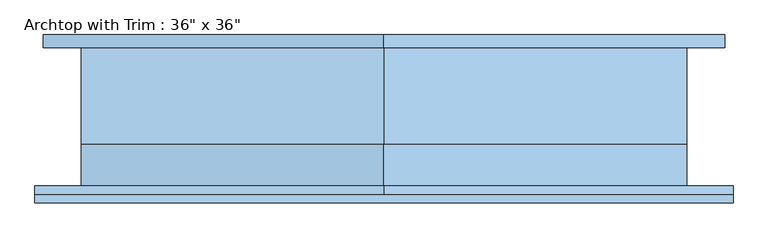
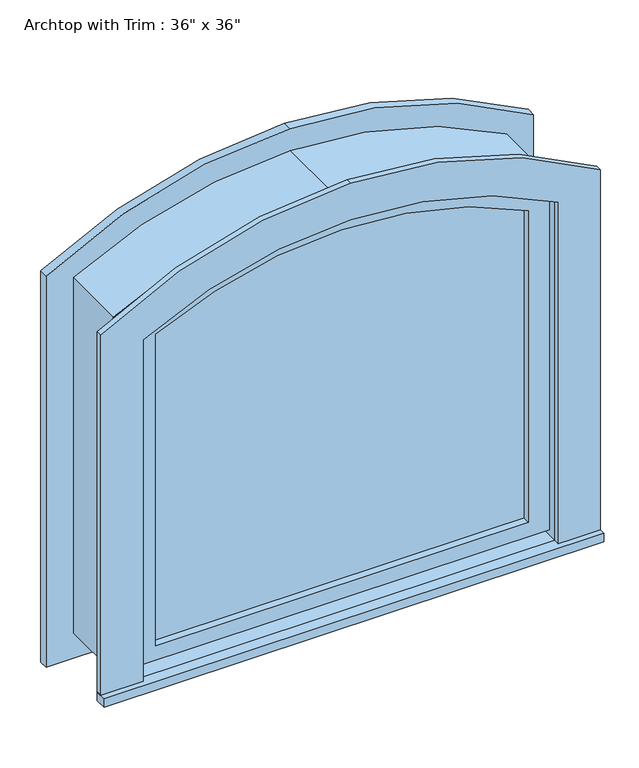
"""IFC4 building model written with IfcOpenShell, lengths in millimetres: window geometry."""

from ifc_helpers import new_model, si_unit, point, frame, frame_2d, origin, place, context, project, spatial, polyline, circle_curve, trimmed, segment, composite_curve, outline, extrude, source, transform, mapped, element, save


def window_baca96f3(model_context):
    return source(origin(), model_context, "Body", "SweptSolid", [
        extrude(outline(composite_curve([segment(polyline([(641.35, 450.130298), (1390.4176484, 450.130298)]), True, "CONTINUOUS"), segment(trimmed(circle_curve(frame_2d((609.6, 11.980298)), 895.35), [point((1390.4176484, 450.130298))], [point((1504.95, 11.980298))], False, "CARTESIAN"), True, "CONTINUOUS"), segment(trimmed(circle_curve(frame_2d((609.6, 11.980298)), 895.35), [point((1504.95, 11.980298))], [point((1390.4176484, -426.1697019))], False, "CARTESIAN"), True, "CONTINUOUS"), segment(polyline([(1390.4176484, -426.1697019), (641.35, -426.1697019), (641.35, 450.130298)]), True, "CONTINUOUS")], self_intersect=False), holes=[composite_curve([segment(polyline([(673.1, 405.680298), (673.1, -381.719702), (1367.5211144, -381.719702)]), True, "CONTINUOUS"), segment(trimmed(circle_curve(frame_2d((609.6, 11.980298)), 854.075), [point((1367.5211144, -381.719702))], [point((1463.675, 11.980298))], True, "CARTESIAN"), True, "CONTINUOUS"), segment(trimmed(circle_curve(frame_2d((609.6, 11.980298)), 854.075), [point((1463.675, 11.980298))], [point((1367.5211144, 405.680298))], True, "CARTESIAN"), True, "CONTINUOUS"), segment(polyline([(1367.5211144, 405.680298), (673.1, 405.680298)]), True, "CONTINUOUS")], self_intersect=False)]), frame((0.0, -85.725, 0.0), z_axis=(0.0, 1.0, 0.0), x_axis=(0.0, 0.0, 1.0)), (0.0, 0.0, 1.0), 44.45),
        extrude(outline(polyline([(-515.0697019, -130.175), (-515.0697019, -104.775), (539.030298, -104.775), (539.030298, -130.175), (-515.0697019, -130.175)])), frame((0.0, 0.0, 609.6), z_axis=(0.0, 0.0, 1.0), x_axis=(1.0, 0.0, 0.0)), (0.0, 0.0, 1.0), 19.05),
        extrude(outline(composite_curve([segment(polyline([(628.65, 450.1302979), (628.65, 539.030298), (1431.5462001, 539.030298)]), True, "CONTINUOUS"), segment(trimmed(circle_curve(frame_2d((609.6, 11.980298)), 976.4103944), [point((1431.5462001, 539.030298))], [point((1586.0103944, 11.980298))], False, "CARTESIAN"), True, "CONTINUOUS"), segment(trimmed(circle_curve(frame_2d((609.6, 11.980298)), 976.4103944), [point((1586.0103944, 11.980298))], [point((1431.5462002, -515.0697019))], False, "CARTESIAN"), True, "CONTINUOUS"), segment(polyline([(1431.5462002, -515.0697019), (628.65, -515.0697019), (628.65, -426.1697019), (1390.4176484, -426.1697019)]), True, "CONTINUOUS"), segment(trimmed(circle_curve(frame_2d((609.6, 11.980298)), 895.35), [point((1390.4176484, -426.1697019))], [point((1504.95, 11.980298))], True, "CARTESIAN"), True, "CONTINUOUS"), segment(trimmed(circle_curve(frame_2d((609.6, 11.980298)), 895.35), [point((1504.95, 11.980298))], [point((1390.4176484, 450.1302979))], True, "CARTESIAN"), True, "CONTINUOUS"), segment(polyline([(1390.4176484, 450.1302979), (628.65, 450.1302979)]), True, "CONTINUOUS")], self_intersect=False)), frame((0.0, -117.475, 0.0), z_axis=(0.0, 1.0, 0.0), x_axis=(0.0, 0.0, 1.0)), (0.0, 0.0, 1.0), 12.7),
        extrude(outline(composite_curve([segment(polyline([(552.45, -502.369702), (552.45, 526.3302979), (1424.3785921, 526.3302979)]), True, "CONTINUOUS"), segment(trimmed(circle_curve(frame_2d((609.6, 11.980298)), 963.5455758), [point((1424.3785921, 526.3302979))], [point((1573.1455758, 11.980298))], False, "CARTESIAN"), True, "CONTINUOUS"), segment(trimmed(circle_curve(frame_2d((609.6, 11.980298)), 963.5455758), [point((1573.1455758, 11.980298))], [point((1424.3785921, -502.369702))], False, "CARTESIAN"), True, "CONTINUOUS"), segment(polyline([(1424.3785921, -502.369702), (552.45, -502.369702)]), True, "CONTINUOUS")], self_intersect=False), holes=[composite_curve([segment(polyline([(641.35, -413.4697027), (1382.9455369, -413.4697027)]), True, "CONTINUOUS"), segment(trimmed(circle_curve(frame_2d((609.6, 11.980298)), 882.65), [point((1382.9455369, -413.4697027))], [point((1492.25, 11.980298))], True, "CARTESIAN"), True, "CONTINUOUS"), segment(trimmed(circle_curve(frame_2d((609.6000002, 11.980298)), 882.6499998), [point((1492.25, 11.980298))], [point((1382.9455369, 437.4302987))], True, "CARTESIAN"), True, "CONTINUOUS"), segment(polyline([(1382.9455369, 437.4302987), (641.35, 437.4302987), (641.35, -413.4697027)]), True, "CONTINUOUS")], self_intersect=False)]), frame((0.0, 104.775, 0.0), z_axis=(0.0, 1.0, 0.0), x_axis=(0.0, 0.0, 1.0)), (0.0, 0.0, 1.0), 19.05),
        extrude(outline(composite_curve([segment(polyline([(673.1, -381.7197017), (673.1, 405.6802981), (1367.8186461, 405.6802981)]), True, "CONTINUOUS"), segment(trimmed(circle_curve(frame_2d((609.6, 11.9802983)), 854.3390458), [point((1367.8186461, 405.6802981))], [point((1463.9390458, 11.9802983))], False, "CARTESIAN"), True, "CONTINUOUS"), segment(trimmed(circle_curve(frame_2d((609.6, 11.9802983)), 854.3390458), [point((1463.9390458, 11.9802983))], [point((1367.818646, -381.7197017))], False, "CARTESIAN"), True, "CONTINUOUS"), segment(polyline([(1367.818646, -381.7197017), (673.1, -381.7197017)]), True, "CONTINUOUS")], self_intersect=False)), frame((0.0, -69.85, 0.0), z_axis=(0.0, 1.0, 0.0), x_axis=(0.0, 0.0, 1.0)), (0.0, 0.0, 1.0), 12.7),
        extrude(outline(composite_curve([segment(polyline([(609.6, 469.180298), (1401.4936292, 469.180298)]), True, "CONTINUOUS"), segment(trimmed(circle_curve(frame_2d((609.6, 11.980298)), 914.4), [point((1401.4936292, 469.180298))], [point((1524.0, 11.980298))], False, "CARTESIAN"), True, "CONTINUOUS"), segment(trimmed(circle_curve(frame_2d((609.6, 11.980298)), 914.4), [point((1524.0, 11.980298))], [point((1401.4936292, -445.219702))], False, "CARTESIAN"), True, "CONTINUOUS"), segment(polyline([(1401.4936292, -445.219702), (609.6, -445.219702), (609.6, 469.180298)]), True, "CONTINUOUS")], self_intersect=False), holes=[composite_curve([segment(polyline([(641.35, 437.4302987), (641.35, -413.469702), (1386.4470493, -413.469702)]), True, "CONTINUOUS"), segment(trimmed(circle_curve(frame_2d((609.6, 11.980298)), 885.7195044), [point((1386.4470493, -413.469702))], [point((1495.3195044, 11.980298))], True, "CARTESIAN"), True, "CONTINUOUS"), segment(trimmed(circle_curve(frame_2d((609.6, 11.980298)), 885.7195044), [point((1495.3195044, 11.980298))], [point((1386.4470489, 437.4302987))], True, "CARTESIAN"), True, "CONTINUOUS"), segment(polyline([(1386.4470489, 437.4302987), (641.35, 437.4302987)]), True, "CONTINUOUS")], self_intersect=False)]), frame((0.0, -41.275, 0.0), z_axis=(0.0, 1.0, 0.0), x_axis=(0.0, 0.0, 1.0)), (0.0, 0.0, 1.0), 146.05),
        extrude(outline(composite_curve([segment(polyline([(609.6, -445.219702), (609.6, 469.180298), (1401.4936292, 469.180298)]), True, "CONTINUOUS"), segment(trimmed(circle_curve(frame_2d((609.6, 11.980298)), 914.4), [point((1401.4936292, 469.180298))], [point((1524.0, 11.980298))], False, "CARTESIAN"), True, "CONTINUOUS"), segment(trimmed(circle_curve(frame_2d((609.6, 11.980298)), 914.4), [point((1524.0, 11.980298))], [point((1401.4936292, -445.219702))], False, "CARTESIAN"), True, "CONTINUOUS"), segment(polyline([(1401.4936292, -445.219702), (609.6, -445.219702)]), True, "CONTINUOUS")], self_intersect=False), holes=[composite_curve([segment(polyline([(628.65, -426.1697019), (1392.5004065, -426.1697019)]), True, "CONTINUOUS"), segment(trimmed(circle_curve(frame_2d((609.6, 11.980298)), 897.1669125), [point((1392.5004065, -426.1697019))], [point((1506.7669125, 11.980298))], True, "CARTESIAN"), True, "CONTINUOUS"), segment(trimmed(circle_curve(frame_2d((609.6, 11.980298)), 897.1669125), [point((1506.7669125, 11.980298))], [point((1392.5004065, 450.130298))], True, "CARTESIAN"), True, "CONTINUOUS"), segment(polyline([(1392.5004065, 450.130298), (628.65, 450.130298), (628.65, -426.1697019)]), True, "CONTINUOUS")], self_intersect=False)]), frame((0.0, -104.775, 0.0), z_axis=(0.0, 1.0, 0.0), x_axis=(0.0, 0.0, 1.0)), (0.0, 0.0, 1.0), 63.5),
    ])


if __name__ == "__main__":
    model = new_model("IFC4")
    model_context = context("Model", 3, world=origin())
    ifc_project = project(units=[si_unit("LENGTHUNIT", "METRE", prefix="MILLI")], contexts=[model_context])
    site = spatial("IfcSite", under=ifc_project)
    building = spatial("IfcBuilding", under=site)
    placement = place(None, origin())
    window_shape = window_baca96f3(model_context)
    element("IfcWindow", 1, ObjectType="Archtop with Trim : 36\" x 36\"", at=placement, inside=building, context=model_context, shape_type="MappedRepresentation", body=[
        mapped(window_shape, transform((0.0, 0.0, 0.0), x_axis=(1.0, 0.0, 0.0), y_axis=(0.0, 1.0, 0.0), z_axis=(0.0, 0.0, 1.0))),
    ])
    save(model, "model.ifc")
